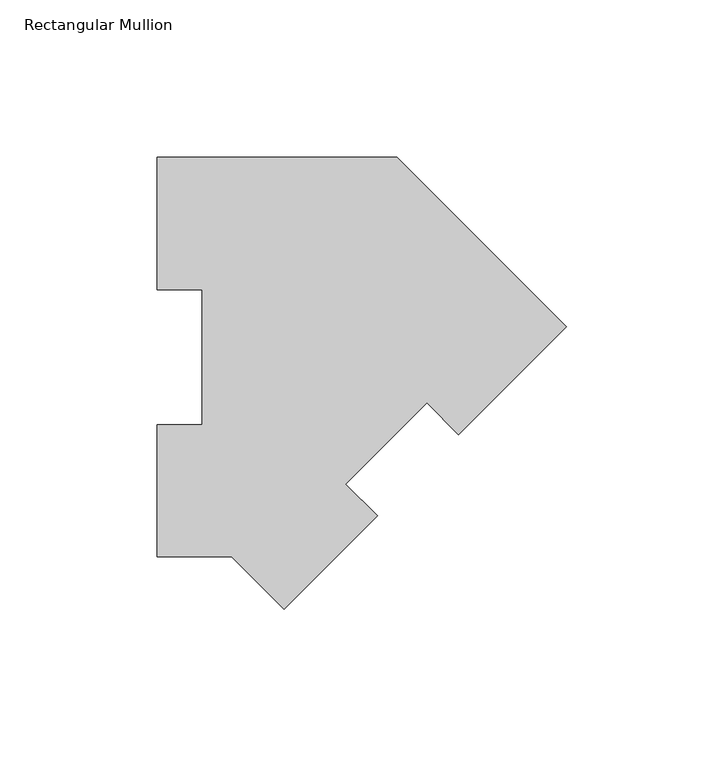
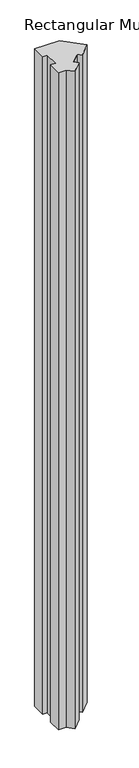
"""IFC4 building model written with IfcOpenShell, lengths in millimetres: member geometry, Rectangular Mullion."""

from ifc_helpers import new_model, si_unit, frame, origin, place, context, project, spatial, polyline, outline, extrude, source, transform, mapped, element, save


def rectangular_mullion_32ad7786(model_context):
    return source(origin(), model_context, "Body", "SweptSolid", [
        extrude(outline(polyline([(-130.0815367, 127.00635), (-53.8815367, 127.00635), (0.0, 73.1248133), (-34.2417166, 38.8830967), (-44.3445047, 48.9858848), (-70.1537608, 23.1766287), (-60.0509727, 13.0738406), (-89.8025612, -16.6777479), (-106.4866592, 0.00635), (-130.0815367, 0.00635), (-130.0815367, 42.08145), (-115.7940367, 42.08145), (-115.7940367, 84.93125), (-130.0815367, 84.93125), (-130.0815367, 127.00635)])), frame((0.0, 0.0, -2133.6), z_axis=(0.0, 0.0, 1.0), x_axis=(1.0, 0.0, 0.0)), (0.0, 0.0, 1.0), 2133.6),
    ])


if __name__ == "__main__":
    model = new_model("IFC4")
    model_context = context("Model", 3, world=origin())
    ifc_project = project(units=[si_unit("LENGTHUNIT", "METRE", prefix="MILLI")], contexts=[model_context])
    site = spatial("IfcSite", under=ifc_project)
    building = spatial("IfcBuilding", under=site)
    placement = place(None, origin())
    rectangular_mullion_shape = rectangular_mullion_32ad7786(model_context)
    element("IfcMember", 1, ObjectType="Rectangular Mullion", at=placement, inside=building, context=model_context, shape_type="MappedRepresentation", body=[
        mapped(rectangular_mullion_shape, transform((0.0, 0.0, 0.0), x_axis=(1.0, 0.0, 0.0), y_axis=(0.0, 1.0, 0.0), z_axis=(0.0, 0.0, 1.0))),
    ])
    save(model, "model.ifc")
